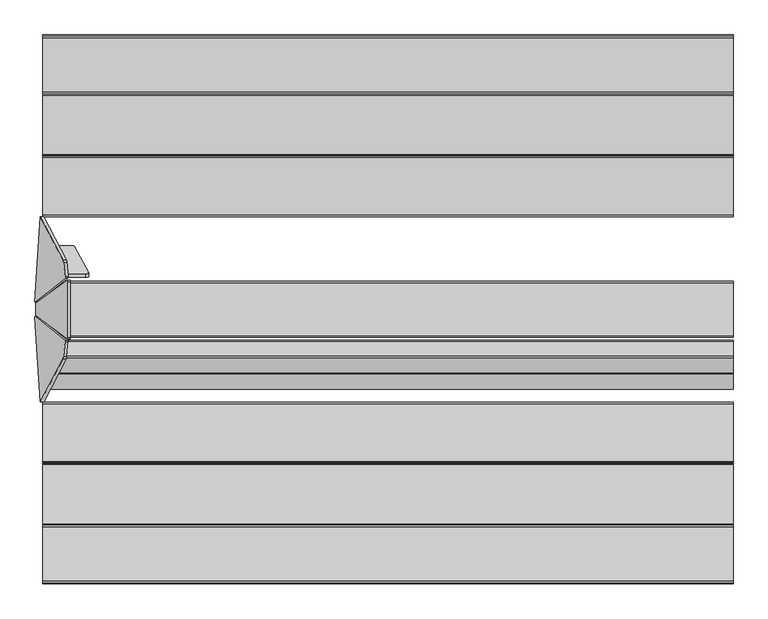
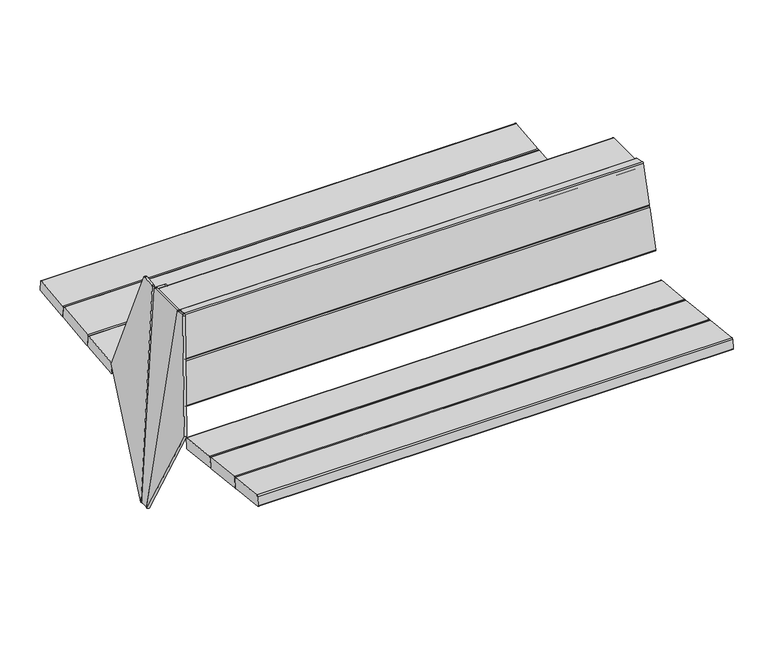
"""IFC4 building model written with IfcOpenShell, lengths in millimetres: furniture geometry."""

from ifc_helpers import new_model, si_unit, point, frame, frame_2d, origin, place, context, project, spatial, polyline, circle_curve, ellipse_curve, trimmed, segment, composite_curve, outline, extrude, source, transform, mapped, element, save
from ifc_brep_helpers import plane_surface, cylinder_surface, advanced_brep


def furniture_95730e31(model_context):
    return source(origin(), model_context, "Body", "SolidModel", [
        advanced_brep(
        [(-791.5034385, 505.8544939, 503.3842593), (-783.5721679, 504.0503298, 509.9877088), (-747.4133782, 438.3761853, 749.0639533), (-755.3146024, 435.9391349, 757.8881152), (-800.4996194, 435.8572515, 757.9536062), (-838.1688084, 505.7699279, 503.4518959), (-755.3269352, 444.6628005, 760.2863677), (-747.4257111, 447.0998509, 751.4622058), (-783.5845007, 512.7739954, 512.3859614), (-791.5157714, 514.5781595, 505.7825119), (-839.1302779, 514.4918735, 505.8515241), (-801.461089, 444.5791971, 760.3532344), (-811.3096872, 477.7686577, 787.1699382), (-867.9108416, 586.0553928, 408.9101314), (-881.7986014, 374.8544313, 11.2206695), (-881.1339288, 372.9837171, 14.8944279), (-806.476674, 433.797321, 774.9426086), (-806.4856825, 436.6192877, 778.4787482), (-810.3276205, 472.8329155, 789.8133119), (-803.4334696, 478.874085, 786.3078325), (-802.4514029, 473.9383427, 788.9512062), (-798.6094648, 437.724715, 777.6166426), (-798.6004563, 434.9027483, 774.080503), (-873.2577111, 374.0891443, 14.0323223), (-873.9223837, 375.9598585, 10.3585639), (-860.0346239, 587.16082, 408.0480257)],
        [
            (0, 1, circle_curve(frame((-791.4884153, 503.7338866, 511.098065), z_axis=(0.0013631459484884367, -0.9642258427672697, -0.26507860338562145), x_axis=(0.14431455675225052, -0.2621142782788856, 0.9541852093968657)), 8.0)),
            (1, 2),
            (2, 3, circle_curve(frame((-755.3296256, 438.0597422, 750.1743095), z_axis=(0.0013631459484884367, -0.9642258427672697, -0.26507860338562145), x_axis=(0.14431455675225052, -0.2621142782788856, 0.9541852093968657)), 8.0)),
            (3, 4),
            (4, 5),
            (5, 0),
            (6, 7, circle_curve(frame((-755.3419585, 446.7834078, 752.572562), z_axis=(-0.0013631459484884367, 0.9642258427672697, 0.26507860338562145), x_axis=(0.14431455675225052, -0.2621142782788856, 0.9541852093968657)), 8.0)),
            (7, 8),
            (8, 9, circle_curve(frame((-791.5007481, 512.4575522, 513.4963176), z_axis=(-0.0013631459484884367, 0.9642258427672697, 0.26507860338562145), x_axis=(0.14431455675225052, -0.2621142782788856, 0.9541852093968657)), 8.0)),
            (9, 10),
            (10, 11),
            (11, 6),
            (2, 7),
            (6, 3),
            (1, 8),
            (0, 9),
            (5, 10),
            (11, 4),
            (12, 13),
            (13, 14),
            (14, 15, circle_curve(frame((-881.7160714, 376.929862, 14.6358678), z_axis=(-0.9845272064646956, -0.1381784067166262, 0.10776320173453151), x_axis=(-0.10809843818608315, -0.005098251508800459, -0.9941271224009949)), 3.9972244)),
            (15, 16),
            (16, 17, circle_curve(frame((-807.0592208, 437.7462061, 774.683869), z_axis=(-0.9845272064646956, -0.1381784067166262, 0.10776320173453151), x_axis=(-0.10809843818608315, -0.005098251508800459, -0.9941271224009949)), 4.0)),
            (17, 18),
            (18, 12, circle_curve(frame((-810.9011589, 473.9598338, 786.0184326), z_axis=(-0.9845272064646956, -0.1381784067166262, 0.10776320173453151), x_axis=(-0.10809843818608315, -0.005098251508800459, -0.9941271224009949)), 4.0)),
            (19, 20, circle_curve(frame((-803.0249412, 475.0652611, 785.156327), z_axis=(0.9845272064646956, 0.1381784067166262, -0.10776320173453151), x_axis=(-0.10809843818608315, -0.005098251508800459, -0.9941271224009949)), 4.0)),
            (20, 21),
            (21, 22, circle_curve(frame((-799.1830032, 438.8516333, 773.8217633), z_axis=(0.9845272064646956, 0.1381784067166262, -0.10776320173453151), x_axis=(-0.10809843818608315, -0.005098251508800459, -0.9941271224009949)), 4.0)),
            (22, 23),
            (23, 24, circle_curve(frame((-873.8398538, 378.0352893, 13.7737622), z_axis=(0.9845272064646956, 0.1381784067166262, -0.10776320173453151), x_axis=(-0.10809843818608315, -0.005098251508800459, -0.9941271224009949)), 3.9972244)),
            (24, 25),
            (25, 19),
            (18, 20),
            (19, 12),
            (17, 21),
            (16, 22),
            (15, 23),
            (14, 24),
            (13, 25),
        ],
        [
            plane_surface(frame((-804.3092276, 435.8503478, 757.9591278), z_axis=(0.0013631459484884298, -0.9642258427672699, -0.26507860338562156), x_axis=(-0.9999973076401405, -0.0018121741131798558, 0.001449392098063698))),
            plane_surface(frame((-804.3215604, 444.5740134, 760.3573804), z_axis=(-0.0013631459484884298, 0.9642258427672699, 0.26507860338562156), x_axis=(0.9999973076401405, 0.0018121741131798558, -0.001449392098063698))),
            cylinder_surface(frame((-755.3419585, 446.7834078, 752.572562), z_axis=(0.0013631459484884367, -0.9642258427672697, -0.26507860338562145), x_axis=(0.14431455675225052, -0.2621142782788856, 0.9541852093968657)), 8.0),
            plane_surface(frame((-783.5721679, 504.0503298, 509.9877088), z_axis=(0.9895309245003536, 0.039555394854398455, -0.13879452509154827), x_axis=(-0.001363145948487992, 0.9642258427672696, 0.26507860338562167))),
            cylinder_surface(frame((-791.5007481, 512.4575522, 513.4963176), z_axis=(0.0013631459484884367, -0.9642258427672697, -0.26507860338562145), x_axis=(0.14431455675225052, -0.2621142782788856, 0.9541852093968657)), 8.0),
            plane_surface(frame((-841.9164561, 505.7631365, 503.4573277), z_axis=(-0.001877909900274787, 0.26507591396566216, -0.9642257169821158), x_axis=(-0.001363145948487982, 0.9642258427672702, 0.2650786033856198))),
            plane_surface(frame((-755.3146024, 435.9391349, 757.8881152), z_axis=(0.0018779099002689842, -0.26507591396566405, 0.9642257169821153), x_axis=(-0.001363145948487992, 0.9642258427672696, 0.26507860338562167))),
            plane_surface(frame((-867.63642, 585.5303819, 410.7440634), z_axis=(-0.9845272064646957, -0.13817840671662623, 0.10776320173453155), x_axis=(-0.14239106626947698, 0.2724160636486588, -0.9515851367653928))),
            plane_surface(frame((-859.7602023, 586.6358092, 409.8819577), z_axis=(0.9845272064646957, 0.13817840671662623, -0.10776320173453155), x_axis=(0.14239106626947698, -0.2724160636486588, 0.9515851367653928))),
            cylinder_surface(frame((-803.0249412, 475.0652611, 785.156327), z_axis=(-0.9845272064646956, -0.1381784067166262, 0.10776320173453151), x_axis=(-0.10809843818608315, -0.005098251508800459, -0.9941271224009949)), 4.0),
            plane_surface(frame((-806.4856825, 436.6192877, 778.4787482), z_axis=(0.14338459124458777, -0.2817295884036646, 0.9487198206064446), x_axis=(0.9845272064646944, 0.13817840671663073, -0.10776320173453648))),
            cylinder_surface(frame((-799.1830032, 438.8516333, 773.8217633), z_axis=(-0.9845272064646956, -0.1381784067166262, 0.10776320173453151), x_axis=(-0.10809843818608315, -0.005098251508800459, -0.9941271224009949)), 4.0),
            plane_surface(frame((-881.1339288, 372.9837171, 14.8944279), z_axis=(0.14563671969423442, -0.9872212562883779, 0.0646849055738673), x_axis=(0.9845272064646956, 0.13817840671662243, -0.10776320173453661))),
            cylinder_surface(frame((-873.8398538, 378.0352893, 13.7737622), z_axis=(-0.9845272064646956, -0.1381784067166262, 0.10776320173453151), x_axis=(-0.10809843818608315, -0.005098251508800459, -0.9941271224009949)), 3.9972244),
            plane_surface(frame((-867.9108416, 586.0553928, 408.9101314), z_axis=(-0.1724989104391942, 0.8724250405319163, -0.4572949535586146), x_axis=(0.9845272064646965, 0.13817840671662254, -0.10776320173452825))),
            plane_surface(frame((-811.3096872, 477.7686577, 787.1699382), z_axis=(-0.10213209083077517, 0.9522059736125492, 0.2878763968079215), x_axis=(0.9845272064646963, 0.13817840671663098, -0.10776320173451977))),
        ],
        [
            (0, [[1, 2, 3, 4, 5, 6]]),
            (1, [[7, 8, 9, 10, 11, 12]]),
            (2, [[-3, 13, -7, 14]]),
            (3, [[-2, 15, -8, -13]]),
            (4, [[-1, 16, -9, -15]]),
            (5, [[-16, -6, 17, -10]]),
            (6, [[-14, -12, 18, -4]]),
            (7, [[19, 20, 21, 22, 23, 24, 25]]),
            (8, [[26, 27, 28, 29, 30, 31, 32], [-5, -18, -11, -17]]),
            (9, [[-25, 33, -26, 34]]),
            (10, [[-24, 35, -27, -33]]),
            (11, [[-23, 36, -28, -35]]),
            (12, [[-22, 37, -29, -36]]),
            (13, [[-21, 38, -30, -37]]),
            (14, [[-20, 39, -31, -38]]),
            (15, [[-19, -34, -32, -39]]),
        ],
    ),
        extrude(outline(polyline([(0.0, -19.9999999), (0.0, 0.0), (1612.8148813, 0.0), (1612.8148813, -19.9999999), (0.0, -19.9999999)])), frame((806.271869, 708.9963741, 329.0549245), z_axis=(0.0, -0.10862274800818686, 0.9940830441241566), x_axis=(-1.0, 0.0, 0.0)), (0.0, 0.0, 1.0), 40.0),
        extrude(outline(polyline([(0.0, -20.0), (0.0, 0.0), (1612.8148813, 0.0), (1612.8148813, -20.0), (0.0, -20.0)])), frame((806.271869, 923.2070815, 352.4615763), z_axis=(0.0, -0.10862274800818948, 0.9940830441241564), x_axis=(-1.0, 0.0, 0.0)), (0.0, 0.0, 1.0), 40.0),
        extrude(outline(composite_curve([segment(trimmed(circle_curve(frame_2d((591.0942624, 402.9194118)), 4.0), [point((587.1178523, 402.4856342))], [point((590.6604217, 406.895815))], False, "CARTESIAN"), True, "CONTINUOUS"), segment(polyline([(590.6604217, 406.895815), (733.8103142, 422.5140125)]), True, "CONTINUOUS"), segment(trimmed(circle_curve(frame_2d((734.2441549, 418.5376093)), 4.0), [point((733.8103142, 422.5140125))], [point((738.220565, 418.971387))], False, "CARTESIAN"), True, "CONTINUOUS"), segment(polyline([(738.220565, 418.971387), (741.8732342, 385.4876153)]), True, "CONTINUOUS"), segment(trimmed(circle_curve(frame_2d((737.8968242, 385.0538377)), 4.0), [point((741.8732342, 385.4876153))], [point((738.3306018, 381.0774276))], False, "CARTESIAN"), True, "CONTINUOUS"), segment(polyline([(738.3306018, 381.0774276), (595.1804616, 365.461501)]), True, "CONTINUOUS"), segment(trimmed(circle_curve(frame_2d((594.7466839, 369.4379111)), 4.0), [point((595.1804616, 365.461501))], [point((590.7702739, 369.0041334))], False, "CARTESIAN"), True, "CONTINUOUS"), segment(polyline([(590.7702739, 369.0041334), (587.1178523, 402.4856342)]), True, "CONTINUOUS")], self_intersect=False)), frame((-862.5907733, 0.0, 0.0), z_axis=(1.0, 0.0, 0.0), x_axis=(0.0, 1.0, 0.0)), (0.0, 0.0, 1.0), 1722.1935987),
        extrude(outline(composite_curve([segment(trimmed(circle_curve(frame_2d((742.1969612, 419.4052908)), 4.0), [point((738.2205512, 418.9715131))], [point((741.7631205, 423.3816939))], False, "CARTESIAN"), True, "CONTINUOUS"), segment(polyline([(741.7631205, 423.3816939), (889.0050693, 439.4463504)]), True, "CONTINUOUS"), segment(trimmed(circle_curve(frame_2d((889.43891, 435.4699472)), 4.0), [point((889.0050693, 439.4463504))], [point((893.4153201, 435.9037248))], False, "CARTESIAN"), True, "CONTINUOUS"), segment(polyline([(893.4153201, 435.9037248), (897.0682505, 402.417559)]), True, "CONTINUOUS"), segment(trimmed(circle_curve(frame_2d((893.0918405, 401.9837814)), 4.0), [point((897.0682505, 402.417559))], [point((893.5256181, 398.0073713))], False, "CARTESIAN"), True, "CONTINUOUS"), segment(polyline([(893.5256181, 398.0073713), (746.2834145, 381.9450507)]), True, "CONTINUOUS"), segment(trimmed(circle_curve(frame_2d((745.8496369, 385.9214608)), 4.0), [point((746.2834145, 381.9450507))], [point((741.8732268, 385.4876832))], False, "CARTESIAN"), True, "CONTINUOUS"), segment(polyline([(741.8732268, 385.4876832), (738.2205512, 418.9715131)]), True, "CONTINUOUS")], self_intersect=False)), frame((-862.5907733, 0.0, 0.0), z_axis=(1.0, 0.0, 0.0), x_axis=(0.0, 1.0, 0.0)), (0.0, 0.0, 1.0), 1722.1935987),
        extrude(outline(composite_curve([segment(trimmed(circle_curve(frame_2d((897.3917164, 436.3376286)), 4.0), [point((893.4153063, 435.903851))], [point((896.9578756, 440.3140318))], False, "CARTESIAN"), True, "CONTINUOUS"), segment(polyline([(896.9578756, 440.3140318), (1032.0405527, 455.0520654)]), True, "CONTINUOUS"), segment(trimmed(circle_curve(frame_2d((1032.4743934, 451.0756623)), 4.0), [point((1032.0405527, 455.0520654))], [point((1036.4508034, 451.5094399))], False, "CARTESIAN"), True, "CONTINUOUS"), segment(polyline([(1036.4508034, 451.5094399), (1040.10397, 418.02111)]), True, "CONTINUOUS"), segment(trimmed(circle_curve(frame_2d((1036.1275599, 417.5873324)), 4.0), [point((1040.10397, 418.02111))], [point((1036.5613375, 413.6109223))], False, "CARTESIAN"), True, "CONTINUOUS"), segment(polyline([(1036.5613375, 413.6109223), (901.4784267, 398.8750316)]), True, "CONTINUOUS"), segment(trimmed(circle_curve(frame_2d((901.0446491, 402.8514417)), 4.0), [point((901.4784267, 398.8750316))], [point((897.0682391, 402.417664))], False, "CARTESIAN"), True, "CONTINUOUS"), segment(polyline([(897.0682391, 402.417664), (893.4153063, 435.903851)]), True, "CONTINUOUS")], self_intersect=False)), frame((-862.5907733, 0.0, 0.0), z_axis=(1.0, 0.0, 0.0), x_axis=(0.0, 1.0, 0.0)), (0.0, 0.0, 1.0), 1722.1935987),
        advanced_brep(
        [(859.6028254, 235.7474579, 634.3932846), (859.6028254, 240.6641656, 637.1908226), (859.6028254, 278.4569523, 774.7668691), (859.6028254, 275.659435, 779.6835409), (859.6028254, 239.9813274, 789.4847667), (859.6028254, 235.0646195, 786.687229), (859.6028254, 197.2718246, 649.1111827), (859.6028254, 200.069342, 644.1945106), (-819.5469541, 235.7474579, 634.3932846), (-818.5506846, 240.6641656, 637.1908226), (-798.1878321, 278.4569523, 774.7668691), (-798.0423005, 275.659435, 779.6835409), (-801.9769125, 239.9813274, 789.4847667), (-802.973182, 235.0646195, 786.687229), (-823.3360357, 197.2718246, 649.1111827), (-823.4815673, 200.069342, 644.1945106)],
        [
            (0, 1, circle_curve(frame((859.6028254, 236.807053, 638.2503895), z_axis=(1.0, 0.0, 0.0), x_axis=(0.0, -1.0, 0.0)), 4.0)),
            (1, 2),
            (2, 3, circle_curve(frame((859.6028254, 274.5998397, 775.8264361), z_axis=(1.0, 0.0, 0.0), x_axis=(0.0, -1.0, 0.0)), 4.0)),
            (3, 4),
            (4, 5, circle_curve(frame((859.6028254, 238.921732, 785.6276619), z_axis=(1.0, 0.0, 0.0), x_axis=(0.0, -1.0, 0.0)), 4.0)),
            (5, 6),
            (6, 7, circle_curve(frame((859.6028254, 201.1289371, 648.0516155), z_axis=(1.0, 0.0, 0.0), x_axis=(0.0, -1.0, 0.0)), 4.0)),
            (7, 0),
            (0, 8),
            (8, 9, ellipse_curve(frame((-818.9760536, 236.807053, 638.2503895), z_axis=(0.9845272064646965, -0.13817840671662354, -0.10776320173452703), x_axis=(0.17523178858535002, 0.776345444263947, 0.6054598016712538)), 4.0628639, 4.0)),
            (9, 1),
            (9, 10),
            (10, 2),
            (10, 11, ellipse_curve(frame((-798.613201, 274.5998397, 775.8264361), z_axis=(0.9845272064646965, -0.13817840671662354, -0.10776320173452703), x_axis=(0.17523178858535002, 0.776345444263947, 0.6054598016712538)), 4.0628639, 4.0)),
            (11, 3),
            (11, 12),
            (12, 4),
            (12, 13, ellipse_curve(frame((-802.5478131, 238.921732, 785.6276619), z_axis=(0.9845272064646965, -0.13817840671662354, -0.10776320173452703), x_axis=(0.17523178858535002, 0.776345444263947, 0.6054598016712538)), 4.0628639, 4.0)),
            (13, 5),
            (13, 14),
            (14, 6),
            (14, 15, ellipse_curve(frame((-822.9106667, 201.1289371, 648.0516155), z_axis=(0.9845272064646965, -0.13817840671662354, -0.10776320173452703), x_axis=(0.17523178858535002, 0.776345444263947, 0.6054598016712538)), 4.0628639, 4.0)),
            (15, 7),
            (15, 8),
        ],
        [
            plane_surface(frame((859.6028254, 232.807053, 638.2503895), z_axis=(1.0, 0.0, 0.0), x_axis=(0.0, 0.0, -1.0))),
            cylinder_surface(frame((-826.6787284, 236.807053, 638.2503895), z_axis=(1.0, 0.0, 0.0), x_axis=(0.0, -1.0, 0.0)), 4.0),
            plane_surface(frame((859.6028254, 240.6641656, 637.1908226), z_axis=(0.0, 0.9642781573688652, -0.26489174245586816), x_axis=(-1.0, 0.0, 0.0))),
            cylinder_surface(frame((-826.6787284, 274.5998397, 775.8264361), z_axis=(1.0, 0.0, 0.0), x_axis=(0.0, -1.0, 0.0)), 4.0),
            plane_surface(frame((859.6028254, 275.659435, 779.6835409), z_axis=(0.0, 0.26489882655000385, 0.9642762113069216), x_axis=(-1.0, 0.0, 0.0))),
            cylinder_surface(frame((-826.6787284, 238.921732, 785.6276619), z_axis=(1.0, 0.0, 0.0), x_axis=(0.0, -1.0, 0.0)), 4.0),
            plane_surface(frame((859.6028254, 235.0646195, 786.687229), z_axis=(0.0, -0.9642781425237718, 0.26489179649604966), x_axis=(-1.0, 0.0, 0.0))),
            cylinder_surface(frame((-826.6787284, 201.1289371, 648.0516155), z_axis=(1.0, 0.0, 0.0), x_axis=(0.0, -1.0, 0.0)), 4.0),
            plane_surface(frame((859.6028254, 200.069342, 644.1945106), z_axis=(0.0, -0.26489877507604614, -0.964276225447465), x_axis=(-1.0, 0.0, 0.0))),
            plane_surface(frame((-793.2522903, 301.2991797, 790.568855), z_axis=(-0.9845272064646965, 0.13817840671662354, 0.10776320173452703), x_axis=(-0.1021320908307662, -0.9522059736125505, 0.28787639680791977))),
        ],
        [
            (0, [[1, 2, 3, 4, 5, 6, 7, 8]]),
            (1, [[-1, 9, 10, 11]]),
            (2, [[-2, -11, 12, 13]]),
            (3, [[-3, -13, 14, 15]]),
            (4, [[-4, -15, 16, 17]]),
            (5, [[-5, -17, 18, 19]]),
            (6, [[-6, -19, 20, 21]]),
            (7, [[-7, -21, 22, 23]]),
            (8, [[-8, -23, 24, -9]]),
            (9, [[-10, -24, -22, -20, -18, -16, -14, -12]]),
        ],
    ),
        advanced_brep(
        [(859.6028254, 195.1325032, 486.5435624), (859.6028254, 200.049211, 489.3411004), (859.6028254, 238.5450863, 629.4765813), (859.6028254, 235.747569, 634.3932531), (859.6028254, 200.0694617, 644.1944788), (859.6028254, 195.1527538, 641.3969411), (859.6028254, 156.6568701, 501.2614604), (859.6028254, 159.4543876, 496.3447884), (-841.4304217, 195.1325032, 486.5435624), (-840.4341521, 200.049211, 489.3411004), (-819.6924736, 238.5450863, 629.4765813), (-819.546942, 235.747569, 634.3932531), (-823.481554, 200.0694617, 644.1944788), (-824.4778235, 195.1527538, 641.3969411), (-845.2195032, 156.6568701, 501.2614604), (-845.3650348, 159.4543876, 496.3447884)],
        [
            (0, 1, circle_curve(frame((859.6028254, 196.1920983, 490.4006673), z_axis=(1.0, 0.0, 0.0), x_axis=(0.0, -1.0, 0.0)), 4.0)),
            (1, 2),
            (2, 3, circle_curve(frame((859.6028254, 234.6879737, 630.5361483), z_axis=(1.0, 0.0, 0.0), x_axis=(0.0, -1.0, 0.0)), 4.0)),
            (3, 4),
            (4, 5, circle_curve(frame((859.6028254, 199.0098664, 640.3373739), z_axis=(1.0, 0.0, 0.0), x_axis=(0.0, -1.0, 0.0)), 4.0)),
            (5, 6),
            (6, 7, circle_curve(frame((859.6028254, 160.5139827, 500.2018933), z_axis=(1.0, 0.0, 0.0), x_axis=(0.0, -1.0, 0.0)), 4.0)),
            (7, 0),
            (0, 8),
            (8, 9, ellipse_curve(frame((-840.8595211, 196.1920983, 490.4006673), z_axis=(0.9845272064646965, -0.13817840671662354, -0.10776320173452703), x_axis=(0.17523178858535002, 0.776345444263947, 0.6054598016712538)), 4.0628639, 4.0)),
            (9, 1),
            (9, 10),
            (10, 2),
            (10, 11, ellipse_curve(frame((-820.1178426, 234.6879737, 630.5361483), z_axis=(0.9845272064646965, -0.13817840671662354, -0.10776320173452703), x_axis=(0.17523178858535002, 0.776345444263947, 0.6054598016712538)), 4.0628639, 4.0)),
            (11, 3),
            (11, 12),
            (12, 4),
            (12, 13, ellipse_curve(frame((-824.0524546, 199.0098664, 640.3373739), z_axis=(0.9845272064646965, -0.13817840671662354, -0.10776320173452703), x_axis=(0.17523178858535002, 0.776345444263947, 0.6054598016712538)), 4.0628639, 4.0)),
            (13, 5),
            (13, 14),
            (14, 6),
            (14, 15, ellipse_curve(frame((-844.7941343, 160.5139827, 500.2018933), z_axis=(0.9845272064646965, -0.13817840671662354, -0.10776320173452703), x_axis=(0.17523178858535002, 0.776345444263947, 0.6054598016712538)), 4.0628639, 4.0)),
            (15, 7),
            (15, 8),
        ],
        [
            plane_surface(frame((859.6028254, 192.1920983, 490.4006673), z_axis=(1.0, 0.0, 0.0), x_axis=(0.0, 0.0, -1.0))),
            cylinder_surface(frame((-849.4957131, 196.1920983, 490.4006673), z_axis=(1.0, 0.0, 0.0), x_axis=(0.0, -1.0, 0.0)), 4.0),
            plane_surface(frame((859.6028254, 200.049211, 489.3411004), z_axis=(0.0, 0.9642781573688652, -0.2648917424558684), x_axis=(-1.0, 0.0, 0.0))),
            cylinder_surface(frame((-849.4957131, 234.6879737, 630.5361483), z_axis=(1.0, 0.0, 0.0), x_axis=(0.0, -1.0, 0.0)), 4.0),
            plane_surface(frame((859.6028254, 235.747569, 634.3932531), z_axis=(0.0, 0.2648988265500037, 0.9642762113069216), x_axis=(-1.0, 0.0, 0.0))),
            cylinder_surface(frame((-849.4957131, 199.0098664, 640.3373739), z_axis=(1.0, 0.0, 0.0), x_axis=(0.0, -1.0, 0.0)), 4.0),
            plane_surface(frame((859.6028254, 195.1527538, 641.3969411), z_axis=(0.0, -0.9642781425237719, 0.2648917964960494), x_axis=(-1.0, 0.0, 0.0))),
            cylinder_surface(frame((-849.4957131, 160.5139827, 500.2018933), z_axis=(1.0, 0.0, 0.0), x_axis=(0.0, -1.0, 0.0)), 4.0),
            plane_surface(frame((859.6028254, 159.4543876, 496.3447884), z_axis=(0.0, -0.2648987750760446, -0.9642762254474654), x_axis=(-1.0, 0.0, 0.0))),
            plane_surface(frame((-793.2522903, 301.2991797, 790.568855), z_axis=(-0.9845272064646965, 0.13817840671662354, 0.10776320173452703), x_axis=(-0.1021320908307662, -0.9522059736125505, 0.28787639680791977))),
        ],
        [
            (0, [[1, 2, 3, 4, 5, 6, 7, 8]]),
            (1, [[-1, 9, 10, 11]]),
            (2, [[-2, -11, 12, 13]]),
            (3, [[-3, -13, 14, 15]]),
            (4, [[-4, -15, 16, 17]]),
            (5, [[-5, -17, 18, 19]]),
            (6, [[-6, -19, 20, 21]]),
            (7, [[-7, -21, 22, 23]]),
            (8, [[-8, -23, 24, -9]]),
            (9, [[-10, -24, -22, -20, -18, -16, -14, -12]]),
        ],
    ),
        advanced_brep(
        [(-755.3146024, 275.0158862, 757.8881152), (-747.4133782, 272.5788357, 749.0639533), (-783.5721679, 206.9046912, 509.9877088), (-791.5034385, 205.1005271, 503.3842593), (-838.1688084, 205.1850931, 503.4518959), (-800.4996194, 275.0977695, 757.9536062), (-791.5157714, 196.3768615, 505.7825119), (-783.5845007, 198.1810256, 512.3859614), (-747.4257111, 263.8551701, 751.4622058), (-755.3269352, 266.2922205, 760.2863677), (-801.461089, 266.3758239, 760.3532344), (-839.1302779, 196.4631475, 505.8515241), (-811.3096872, 233.1863633, 787.1699382), (-810.3276205, 238.1221055, 789.8133119), (-806.4856825, 274.3357333, 778.4787482), (-806.476674, 277.1577, 774.9426086), (-881.1339288, 337.9713039, 14.8944279), (-881.7986014, 336.1005897, 11.2206695), (-867.9108416, 124.8996282, 408.9101314), (-803.4334696, 232.080936, 786.3078325), (-860.0346239, 123.794201, 408.0480257), (-873.9223837, 334.9951625, 10.3585639), (-873.2577111, 336.8658767, 14.0323223), (-798.6004563, 276.0522727, 774.080503), (-798.6094648, 273.230306, 777.6166426), (-802.4514029, 237.0166783, 788.9512062)],
        [
            (0, 1, circle_curve(frame((-755.3296256, 272.8952788, 750.1743095), z_axis=(0.0013631459484884367, 0.9642258427672697, -0.26507860338562145), x_axis=(0.14431455675225052, 0.2621142782788856, 0.9541852093968657)), 8.0)),
            (1, 2),
            (2, 3, circle_curve(frame((-791.4884153, 207.2211344, 511.098065), z_axis=(0.0013631459484884367, 0.9642258427672697, -0.26507860338562145), x_axis=(0.14431455675225052, 0.2621142782788856, 0.9541852093968657)), 8.0)),
            (3, 4),
            (4, 5),
            (5, 0),
            (6, 7, circle_curve(frame((-791.5007481, 198.4974688, 513.4963176), z_axis=(-0.0013631459484884367, -0.9642258427672697, 0.26507860338562145), x_axis=(0.14431455675225052, 0.2621142782788856, 0.9541852093968657)), 8.0)),
            (7, 8),
            (8, 9, circle_curve(frame((-755.3419585, 264.1716132, 752.572562), z_axis=(-0.0013631459484884367, -0.9642258427672697, 0.26507860338562145), x_axis=(0.14431455675225052, 0.2621142782788856, 0.9541852093968657)), 8.0)),
            (9, 10),
            (10, 11),
            (11, 6),
            (0, 9),
            (8, 1),
            (7, 2),
            (6, 3),
            (11, 4),
            (5, 10),
            (12, 13, circle_curve(frame((-810.9011589, 236.9951872, 786.0184326), z_axis=(-0.9845272064646956, 0.1381784067166262, 0.10776320173453151), x_axis=(-0.10809843818608315, 0.005098251508800459, -0.9941271224009949)), 4.0)),
            (13, 14),
            (14, 15, circle_curve(frame((-807.0592208, 273.2088149, 774.683869), z_axis=(-0.9845272064646956, 0.1381784067166262, 0.10776320173453151), x_axis=(-0.10809843818608315, 0.005098251508800459, -0.9941271224009949)), 4.0)),
            (15, 16),
            (16, 17, circle_curve(frame((-881.7160714, 334.025159, 14.6358678), z_axis=(-0.9845272064646956, 0.1381784067166262, 0.10776320173453151), x_axis=(-0.10809843818608315, 0.005098251508800459, -0.9941271224009949)), 3.9972244)),
            (17, 18),
            (18, 12),
            (19, 20),
            (20, 21),
            (21, 22, circle_curve(frame((-873.8398538, 332.9197317, 13.7737622), z_axis=(0.9845272064646956, -0.1381784067166262, -0.10776320173453151), x_axis=(-0.10809843818608315, 0.005098251508800459, -0.9941271224009949)), 3.9972244)),
            (22, 23),
            (23, 24, circle_curve(frame((-799.1830032, 272.1033877, 773.8217633), z_axis=(0.9845272064646956, -0.1381784067166262, -0.10776320173453151), x_axis=(-0.10809843818608315, 0.005098251508800459, -0.9941271224009949)), 4.0)),
            (24, 25),
            (25, 19, circle_curve(frame((-803.0249412, 235.8897599, 785.156327), z_axis=(0.9845272064646956, -0.1381784067166262, -0.10776320173453151), x_axis=(-0.10809843818608315, 0.005098251508800459, -0.9941271224009949)), 4.0)),
            (12, 19),
            (25, 13),
            (24, 14),
            (23, 15),
            (22, 16),
            (21, 17),
            (20, 18),
        ],
        [
            plane_surface(frame((-754.1751092, 274.9921931, 757.8077911), z_axis=(0.0013631459484884229, 0.9642258427672699, -0.2650786033856216), x_axis=(0.9895309245003537, -0.03955539485439853, -0.13879452509154702))),
            plane_surface(frame((-754.187442, 266.2685275, 760.2060437), z_axis=(-0.0013631459484884229, -0.9642258427672699, 0.2650786033856216), x_axis=(-0.9895309245003537, 0.03955539485439853, 0.13879452509154702))),
            cylinder_surface(frame((-755.3419585, 264.1716132, 752.572562), z_axis=(0.0013631459484884367, 0.9642258427672697, -0.26507860338562145), x_axis=(0.14431455675225052, 0.2621142782788856, 0.9541852093968657)), 8.0),
            plane_surface(frame((-747.4133782, 272.5788357, 749.0639533), z_axis=(0.9895309245003534, -0.0395553948543983, -0.13879452509154827), x_axis=(-0.001363145948487987, -0.9642258427672699, 0.2650786033856207))),
            cylinder_surface(frame((-791.5007481, 198.4974688, 513.4963176), z_axis=(0.0013631459484884367, 0.9642258427672697, -0.26507860338562145), x_axis=(0.14431455675225052, 0.2621142782788856, 0.9541852093968657)), 8.0),
            plane_surface(frame((-791.5034385, 205.1005271, 503.3842593), z_axis=(-0.0018779099002744323, -0.2650759139656631, -0.9642257169821155), x_axis=(-0.001363145948487987, -0.9642258427672699, 0.2650786033856207))),
            plane_surface(frame((-803.4248413, 275.1030705, 757.957846), z_axis=(0.0018779099002689827, 0.2650759139656631, 0.9642257169821156), x_axis=(-0.001363145948487987, -0.9642258427672699, 0.2650786033856207))),
            plane_surface(frame((-811.3335526, 237.0155802, 782.0419241), z_axis=(-0.9845272064646957, 0.13817840671662623, 0.10776320173453155), x_axis=(-0.13791630575299016, -0.9903942324896727, 0.009917502641294944))),
            plane_surface(frame((-803.457335, 235.9101529, 781.1798185), z_axis=(0.9845272064646957, -0.13817840671662623, -0.10776320173453155), x_axis=(0.13791630575299016, 0.9903942324896727, -0.009917502641294944))),
            cylinder_surface(frame((-803.0249412, 235.8897599, 785.156327), z_axis=(-0.9845272064646956, 0.1381784067166262, 0.10776320173453151), x_axis=(-0.10809843818608315, 0.005098251508800459, -0.9941271224009949)), 4.0),
            plane_surface(frame((-810.3276205, 238.1221055, 789.8133119), z_axis=(0.1433845912445866, 0.28172958840366474, 0.9487198206064447), x_axis=(0.9845272064646949, -0.13817840671662657, -0.10776320173453655))),
            cylinder_surface(frame((-799.1830032, 272.1033877, 773.8217633), z_axis=(-0.9845272064646956, 0.1381784067166262, 0.10776320173453151), x_axis=(-0.10809843818608315, 0.005098251508800459, -0.9941271224009949)), 4.0),
            plane_surface(frame((-806.476674, 277.1577, 774.9426086), z_axis=(0.14563671969423853, 0.9872212562883773, 0.06468490557386689), x_axis=(0.9845272064646949, -0.13817840671662657, -0.10776320173453655))),
            cylinder_surface(frame((-873.8398538, 332.9197317, 13.7737622), z_axis=(-0.9845272064646956, 0.1381784067166262, 0.10776320173453151), x_axis=(-0.10809843818608315, 0.005098251508800459, -0.9941271224009949)), 3.9972244),
            plane_surface(frame((-881.7986014, 336.1005897, 11.2206695), z_axis=(-0.1724989104392053, -0.8724250405319145, -0.45729495355861344), x_axis=(0.9845272064646944, -0.13817840671663073, -0.10776320173453648))),
            plane_surface(frame((-867.9108416, 124.8996282, 408.9101314), z_axis=(-0.1021320908307664, -0.9522059736125503, 0.28787639680792054), x_axis=(0.9845272064646949, -0.13817840671662657, -0.10776320173453655))),
        ],
        [
            (0, [[1, 2, 3, 4, 5, 6]]),
            (1, [[7, 8, 9, 10, 11, 12]]),
            (2, [[-1, 13, -9, 14]]),
            (3, [[-2, -14, -8, 15]]),
            (4, [[-3, -15, -7, 16]]),
            (5, [[-16, -12, 17, -4]]),
            (6, [[-13, -6, 18, -10]]),
            (7, [[19, 20, 21, 22, 23, 24, 25]]),
            (8, [[26, 27, 28, 29, 30, 31, 32], [-5, -17, -11, -18]]),
            (9, [[-19, 33, -32, 34]]),
            (10, [[-20, -34, -31, 35]]),
            (11, [[-21, -35, -30, 36]]),
            (12, [[-22, -36, -29, 37]]),
            (13, [[-23, -37, -28, 38]]),
            (14, [[-24, -38, -27, 39]]),
            (15, [[-25, -39, -26, -33]]),
        ],
    ),
        extrude(outline(polyline([(0.0, -19.9999999), (0.0, 0.0), (1612.8148813, 0.0), (1612.8148813, -19.9999999), (0.0, -19.9999999)])), frame((806.271869, -17.9230139, 331.2273795), z_axis=(0.0, 0.10862274800818965, 0.9940830441241564), x_axis=(-1.0, 0.0, 0.0)), (0.0, 0.0, 1.0), 40.0),
        extrude(outline(polyline([(0.0, -20.0), (0.0, 0.0), (1612.8148813, 0.0), (1612.8148813, -20.0), (0.0, -20.0)])), frame((806.271869, -232.1337214, 354.6340312), z_axis=(0.0, 0.10862274800818968, 0.9940830441241564), x_axis=(-1.0, 0.0, 0.0)), (0.0, 0.0, 1.0), 40.0),
        extrude(outline(composite_curve([segment(polyline([(123.7934591, 402.0849518), (120.1847471, 369.0041334)]), True, "CONTINUOUS"), segment(trimmed(circle_curve(frame_2d((116.2083371, 369.4379111)), 4.0), [point((120.1847471, 369.0041334))], [point((115.7745594, 365.461501))], False, "CARTESIAN"), True, "CONTINUOUS"), segment(polyline([(115.7745594, 365.461501), (-27.5806359, 381.0997966)]), True, "CONTINUOUS"), segment(trimmed(circle_curve(frame_2d((-27.1468583, 385.0762067)), 4.0), [point((-27.5806359, 381.0997966))], [point((-31.1232683, 385.5099843))], False, "CARTESIAN"), True, "CONTINUOUS"), segment(polyline([(-31.1232683, 385.5099843), (-27.5143082, 418.5930769)]), True, "CONTINUOUS"), segment(trimmed(circle_curve(frame_2d((-23.5378982, 418.1592992)), 4.0), [point((-27.5143082, 418.5930769))], [point((-23.1040575, 422.1357024))], False, "CARTESIAN"), True, "CONTINUOUS"), segment(polyline([(-23.1040575, 422.1357024), (120.2508898, 406.4951326)]), True, "CONTINUOUS"), segment(trimmed(circle_curve(frame_2d((119.8170491, 402.5187294)), 4.0), [point((120.2508898, 406.4951326))], [point((123.7934591, 402.0849518))], False, "CARTESIAN"), True, "CONTINUOUS")], self_intersect=False)), frame((-862.8573445, 0.0, 0.0), z_axis=(1.0, 0.0, 0.0), x_axis=(0.0, 1.0, 0.0)), (0.0, 0.0, 1.0), 1722.4601699),
        extrude(outline(composite_curve([segment(polyline([(-27.5142945, 418.593203), (-31.1232609, 385.5100522)]), True, "CONTINUOUS"), segment(trimmed(circle_curve(frame_2d((-35.099671, 385.9438298)), 4.0), [point((-31.1232609, 385.5100522))], [point((-35.5334486, 381.9674197))], False, "CARTESIAN"), True, "CONTINUOUS"), segment(polyline([(-35.5334486, 381.9674197), (-182.9729891, 398.0512674)]), True, "CONTINUOUS"), segment(trimmed(circle_curve(frame_2d((-182.5392115, 402.0276774)), 4.0), [point((-182.9729891, 398.0512674))], [point((-186.5156215, 402.4614551))], False, "CARTESIAN"), True, "CONTINUOUS"), segment(polyline([(-186.5156215, 402.4614551), (-182.9063999, 435.5469449)]), True, "CONTINUOUS"), segment(trimmed(circle_curve(frame_2d((-178.9299899, 435.1131673)), 4.0), [point((-182.9063999, 435.5469449))], [point((-178.4961492, 439.0895704))], False, "CARTESIAN"), True, "CONTINUOUS"), segment(polyline([(-178.4961492, 439.0895704), (-31.0568638, 423.0033838)]), True, "CONTINUOUS"), segment(trimmed(circle_curve(frame_2d((-31.4907045, 419.0269806)), 4.0), [point((-31.0568638, 423.0033838))], [point((-27.5142945, 418.593203))], False, "CARTESIAN"), True, "CONTINUOUS")], self_intersect=False)), frame((-862.8573445, 0.0, 0.0), z_axis=(1.0, 0.0, 0.0), x_axis=(0.0, 1.0, 0.0)), (0.0, 0.0, 1.0), 1722.4601699),
        extrude(outline(composite_curve([segment(polyline([(-182.9063862, 435.547071), (-186.5156101, 402.4615601)]), True, "CONTINUOUS"), segment(trimmed(circle_curve(frame_2d((-190.4920201, 402.8953377)), 4.0), [point((-186.5156101, 402.4615601))], [point((-190.9257978, 398.9189276))], False, "CARTESIAN"), True, "CONTINUOUS"), segment(polyline([(-190.9257978, 398.9189276), (-325.8113716, 413.6332913)]), True, "CONTINUOUS"), segment(trimmed(circle_curve(frame_2d((-325.377594, 417.6097014)), 4.0), [point((-325.8113716, 413.6332913))], [point((-329.3540041, 418.043479))], False, "CARTESIAN"), True, "CONTINUOUS"), segment(polyline([(-329.3540041, 418.043479), (-325.7445467, 451.1311298)]), True, "CONTINUOUS"), segment(trimmed(circle_curve(frame_2d((-321.7681366, 450.6973521)), 4.0), [point((-325.7445467, 451.1311298))], [point((-321.3342959, 454.6737553))], False, "CARTESIAN"), True, "CONTINUOUS"), segment(polyline([(-321.3342959, 454.6737553), (-186.4489555, 439.9572518)]), True, "CONTINUOUS"), segment(trimmed(circle_curve(frame_2d((-186.8827962, 435.9808487)), 4.0), [point((-186.4489555, 439.9572518))], [point((-182.9063862, 435.547071))], False, "CARTESIAN"), True, "CONTINUOUS")], self_intersect=False)), frame((-862.8573445, 0.0, 0.0), z_axis=(1.0, 0.0, 0.0), x_axis=(0.0, 1.0, 0.0)), (0.0, 0.0, 1.0), 1722.4601699),
        extrude(outline(composite_curve([segment(polyline([(421.4776321, 730.1429382), (289.4776321, 730.1429382)]), True, "CONTINUOUS"), segment(trimmed(circle_curve(frame_2d((289.4776321, 734.1429382)), 4.0), [point((289.4776321, 730.1429382))], [point((285.4776321, 734.1429382))], False, "CARTESIAN"), True, "CONTINUOUS"), segment(polyline([(285.4776321, 734.1429382), (285.4776321, 765.9939083)]), True, "CONTINUOUS"), segment(trimmed(circle_curve(frame_2d((289.4776321, 765.9939083)), 4.0), [point((285.4776321, 765.9939083))], [point((289.4776321, 769.9939083))], False, "CARTESIAN"), True, "CONTINUOUS"), segment(polyline([(289.4776321, 769.9939083), (421.4776321, 769.9939083)]), True, "CONTINUOUS"), segment(trimmed(circle_curve(frame_2d((421.4776321, 765.9939083)), 4.0), [point((421.4776321, 769.9939083))], [point((425.4776321, 765.9939083))], False, "CARTESIAN"), True, "CONTINUOUS"), segment(polyline([(425.4776321, 765.9939083), (425.4776321, 734.1429382)]), True, "CONTINUOUS"), segment(trimmed(circle_curve(frame_2d((421.4776321, 734.1429382)), 4.0), [point((425.4776321, 734.1429382))], [point((421.4776321, 730.1429382))], False, "CARTESIAN"), True, "CONTINUOUS")], self_intersect=False)), frame((-796.9703536, 0.0, 0.0), z_axis=(1.0, 0.0, 0.0), x_axis=(0.0, 1.0, 0.0)), (0.0, 0.0, 1.0), 1656.573179),
        extrude(outline(composite_curve([segment(trimmed(circle_curve(frame_2d((803.632262, 421.4776321)), 4.0), [point((799.632262, 421.4776321))], [point((803.632262, 425.4776321))], False, "CARTESIAN"), True, "CONTINUOUS"), segment(polyline([(803.632262, 425.4776321), (845.632262, 425.4776321)]), True, "CONTINUOUS"), segment(trimmed(circle_curve(frame_2d((845.632262, 421.4776321)), 4.0), [point((845.632262, 425.4776321))], [point((849.632262, 421.4776321))], False, "CARTESIAN"), True, "CONTINUOUS"), segment(polyline([(849.632262, 421.4776321), (849.632262, 415.4775105), (859.6028254, 415.4775105), (859.6028254, 295.4775105), (849.632262, 295.4775105), (849.632262, 289.4776321)]), True, "CONTINUOUS"), segment(trimmed(circle_curve(frame_2d((845.632262, 289.4776321)), 4.0), [point((849.632262, 289.4776321))], [point((845.632262, 285.4776321))], False, "CARTESIAN"), True, "CONTINUOUS"), segment(polyline([(845.632262, 285.4776321), (803.632262, 285.4776321)]), True, "CONTINUOUS"), segment(trimmed(circle_curve(frame_2d((803.632262, 289.4776321)), 4.0), [point((803.632262, 285.4776321))], [point((799.632262, 289.4776321))], False, "CARTESIAN"), True, "CONTINUOUS"), segment(polyline([(799.632262, 289.4776321), (799.632262, 421.4776321)]), True, "CONTINUOUS")], self_intersect=False)), frame((0.0, 0.0, 720.7455365), z_axis=(0.0, 0.0, 1.0), x_axis=(1.0, 0.0, 0.0)), (0.0, 0.0, 1.0), 10.0),
        extrude(outline(composite_curve([segment(polyline([(-736.9997902, 421.4776321), (-736.9997902, 289.4776321)]), True, "CONTINUOUS"), segment(trimmed(circle_curve(frame_2d((-740.9997902, 289.4776321)), 4.0), [point((-736.9997902, 289.4776321))], [point((-740.9997902, 285.4776321))], False, "CARTESIAN"), True, "CONTINUOUS"), segment(polyline([(-740.9997902, 285.4776321), (-782.9997902, 285.4776321)]), True, "CONTINUOUS"), segment(trimmed(circle_curve(frame_2d((-782.9997902, 289.4776321)), 4.0), [point((-782.9997902, 285.4776321))], [point((-786.9997902, 289.4776321))], False, "CARTESIAN"), True, "CONTINUOUS"), segment(polyline([(-786.9997902, 289.4776321), (-786.9997902, 295.4775105), (-796.9703536, 295.4775105), (-796.9703536, 415.4775105), (-786.9997902, 415.4775105), (-786.9997902, 421.4776321)]), True, "CONTINUOUS"), segment(trimmed(circle_curve(frame_2d((-782.9997902, 421.4776321)), 4.0), [point((-786.9997902, 421.4776321))], [point((-782.9997902, 425.4776321))], False, "CARTESIAN"), True, "CONTINUOUS"), segment(polyline([(-782.9997902, 425.4776321), (-740.9997902, 425.4776321)]), True, "CONTINUOUS"), segment(trimmed(circle_curve(frame_2d((-740.9997902, 421.4776321)), 4.0), [point((-740.9997902, 425.4776321))], [point((-736.9997902, 421.4776321))], False, "CARTESIAN"), True, "CONTINUOUS")], self_intersect=False)), frame((0.0, 0.0, 720.7455365), z_axis=(0.0, 0.0, 1.0), x_axis=(1.0, 0.0, 0.0)), (0.0, 0.0, 1.0), 10.0),
        extrude(outline(composite_curve([segment(trimmed(circle_curve(frame_2d((0.0, -3.9641521)), 3.9641521), [point((3.964151, -3.967119))], [point((0.2994923, -7.9169746))], False, "CARTESIAN"), True, "CONTINUOUS"), segment(polyline([(0.2994923, -7.9169746), (-757.2861625, -65.316729)]), True, "CONTINUOUS"), segment(trimmed(circle_curve(frame_2d((-757.5862876, -61.3555534)), 3.9725291), [point((-757.2861625, -65.316729))], [point((-761.5588156, -61.3525802))], False, "CARTESIAN"), True, "CONTINUOUS"), segment(polyline([(-761.5588156, -61.3525802), (-761.4553001, 76.9541709)]), True, "CONTINUOUS"), segment(trimmed(circle_curve(frame_2d((-757.4832036, 76.951198)), 3.9720976), [point((-761.4553001, 76.9541709))], [point((-757.1806031, 80.9117526))], False, "CARTESIAN"), True, "CONTINUOUS"), segment(polyline([(-757.1806031, 80.9117526), (0.2861033, 23.0386037)]), True, "CONTINUOUS"), segment(trimmed(circle_curve(frame_2d((-0.0186228, 19.0502278)), 4.0), [point((0.2861033, 23.0386037))], [point((3.981376, 19.047234))], False, "CARTESIAN"), True, "CONTINUOUS"), segment(polyline([(3.981376, 19.047234), (3.964151, -3.967119)]), True, "CONTINUOUS")], self_intersect=False)), frame((-872.0746675, 363.4682385, 14.5181182), z_axis=(-0.9946984865140414, 0.0, 0.10283443453763685), x_axis=(-0.10283443453763685, 0.0, -0.9946984865140414)), (0.0, 0.0, 1.0), 7.463358),
    ])


if __name__ == "__main__":
    model = new_model("IFC4")
    model_context = context("Model", 3, world=origin())
    ifc_project = project(units=[si_unit("LENGTHUNIT", "METRE", prefix="MILLI")], contexts=[model_context])
    site = spatial("IfcSite", under=ifc_project)
    building = spatial("IfcBuilding", under=site)
    placement = place(None, origin())
    furniture_shape = furniture_95730e31(model_context)
    element("IfcFurniture", 1, at=placement, inside=building, context=model_context, shape_type="MappedRepresentation", body=[
        mapped(furniture_shape, transform((0.0, 0.0, 0.0), x_axis=(1.0, 0.0, 0.0), y_axis=(0.0, 1.0, 0.0), z_axis=(0.0, 0.0, 1.0))),
    ])
    save(model, "model.ifc")
